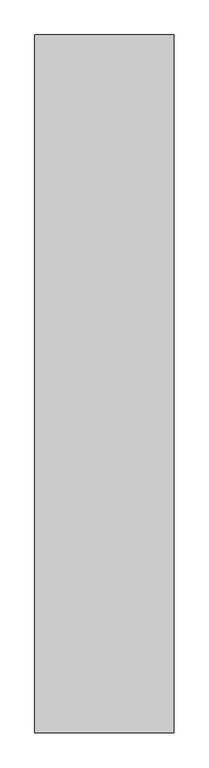
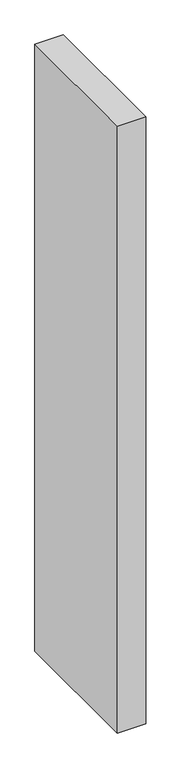
"""IFC4 building model written with IfcOpenShell, lengths in millimetres: column geometry."""

from ifc_helpers import new_model, si_unit, origin, origin_with_axes, place, context, project, spatial, polyline, outline, extrude, source, transform, mapped, element, save


def column_331ee7b7(model_context):
    return source(origin(), model_context, "Body", "SweptSolid", [
        extrude(outline(polyline([(100.0, 500.0), (100.0, -500.0), (-100.0, -500.0), (-100.0, 500.0), (100.0, 500.0)])), origin_with_axes(), (0.0, 0.0, 1.0), 4500.0),
    ])


if __name__ == "__main__":
    model = new_model("IFC4")
    model_context = context("Model", 3, world=origin())
    ifc_project = project(units=[si_unit("LENGTHUNIT", "METRE", prefix="MILLI")], contexts=[model_context])
    site = spatial("IfcSite", under=ifc_project)
    building = spatial("IfcBuilding", under=site)
    placement = place(None, origin())
    column_shape = column_331ee7b7(model_context)
    element("IfcColumn", 1, at=placement, inside=building, context=model_context, shape_type="MappedRepresentation", body=[
        mapped(column_shape, transform((0.0, 0.0, 0.0), x_axis=(1.0, 0.0, 0.0), y_axis=(0.0, 1.0, 0.0), z_axis=(0.0, 0.0, 1.0))),
    ])
    save(model, "model.ifc")
